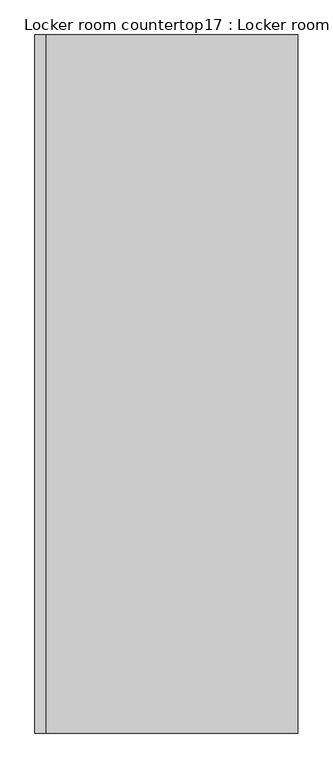
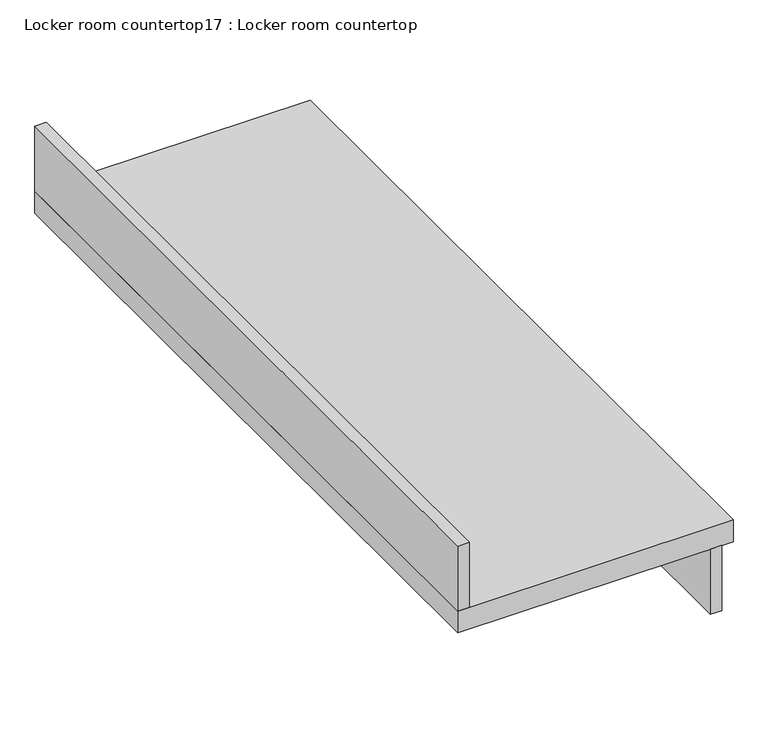
"""IFC4 building model written with IfcOpenShell, lengths in millimetres: furniture geometry, Locker room countertop17 : Locker room countertop."""

from ifc_helpers import new_model, si_unit, frame, origin, place, context, project, spatial, polyline, outline, extrude, source, transform, mapped, element, save


def locker_room_countertop17_locker_room_countertop_11446619(model_context):
    return source(origin(), model_context, "Body", "SweptSolid", [
        extrude(outline(polyline([(438881.6254676, -328772.0921815), (438856.2254676, -328772.0921815), (438856.2254676, -327152.8080223), (438881.6254676, -327152.8080223), (438881.6254676, -328772.0921815)])), frame((0.0, 0.0, 660.4), z_axis=(0.0, 0.0, 1.0), x_axis=(1.0, 0.0, 0.0)), (0.0, 0.0, 1.0), 152.4),
        extrude(outline(polyline([(438322.8254676, -327152.8080223), (438322.8254676, -328772.0921815), (438297.4254676, -328772.0921815), (438297.4254676, -327152.8080223), (438322.8254676, -327152.8080223)])), frame((0.0, 0.0, 863.6), z_axis=(0.0, 0.0, 1.0), x_axis=(1.0, 0.0, 0.0)), (0.0, 0.0, 1.0), 152.4),
        extrude(outline(polyline([(438907.0254676, -327152.8080223), (438907.0254676, -328772.0921815), (438297.4254676, -328772.0921815), (438297.4254676, -327152.8080223), (438907.0254676, -327152.8080223)])), frame((0.0, 0.0, 812.8), z_axis=(0.0, 0.0, 1.0), x_axis=(1.0, 0.0, 0.0)), (0.0, 0.0, 1.0), 50.8),
    ])


if __name__ == "__main__":
    model = new_model("IFC4")
    model_context = context("Model", 3, world=origin())
    ifc_project = project(units=[si_unit("LENGTHUNIT", "METRE", prefix="MILLI")], contexts=[model_context])
    site = spatial("IfcSite", under=ifc_project)
    building = spatial("IfcBuilding", under=site)
    placement = place(None, origin())
    locker_room_countertop17_locker_room_countertop_shape = locker_room_countertop17_locker_room_countertop_11446619(model_context)
    element("IfcFurniture", 1, ObjectType="Locker room countertop17 : Locker room countertop", at=placement, inside=building, context=model_context, shape_type="MappedRepresentation", body=[
        mapped(locker_room_countertop17_locker_room_countertop_shape, transform((0.0, 0.0, 0.0), x_axis=(1.0, 0.0, 0.0), y_axis=(0.0, 1.0, 0.0), z_axis=(0.0, 0.0, 1.0))),
    ])
    save(model, "model.ifc")
